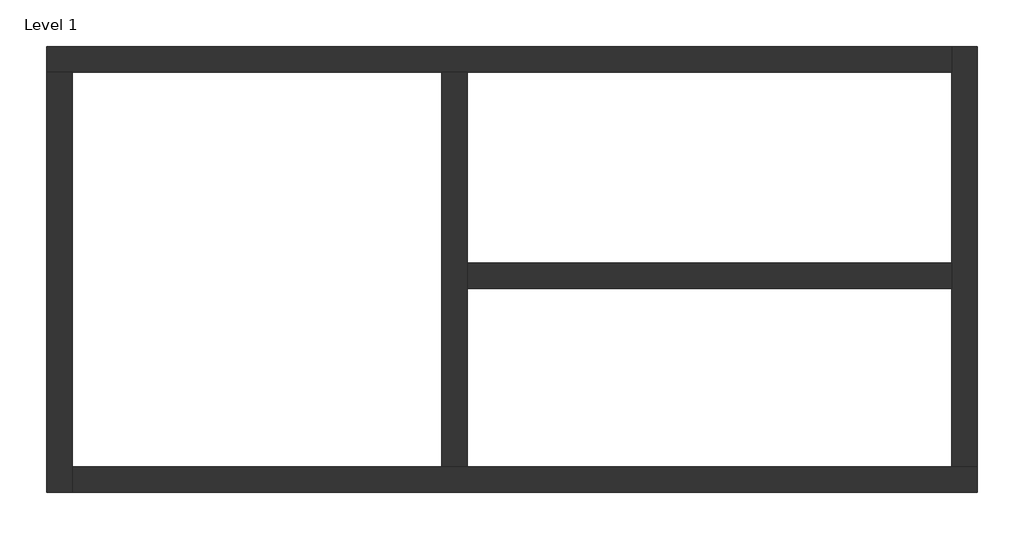
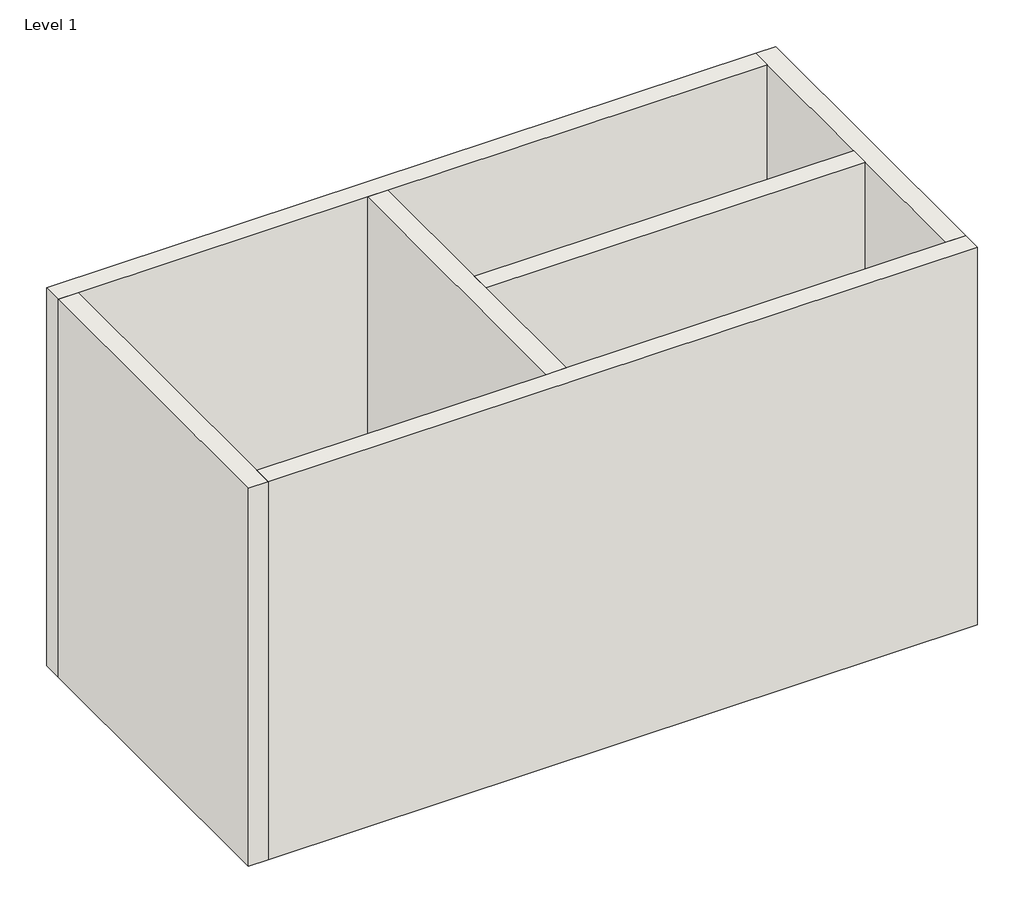
# One storey: 6 walls.
"""IFC4 building model written with IfcOpenShell, lengths in millimetres."""

from ifc_helpers import new_model, si_unit, origin, origin_with_axes, place, context, project, spatial, polyline, outline, extrude, faceted_brep, element, save

model = new_model("IFC4")

# Units and contexts
model_context = context("Model", 3, world=origin())
ifc_project = project(units=[si_unit("LENGTHUNIT", "METRE", prefix="MILLI")], contexts=[model_context])

# Site, building, storey
site = spatial("IfcSite", under=ifc_project)
building = spatial("IfcBuilding", under=site)
storey = spatial("IfcBuildingStorey", under=building, Name="Level 1", Elevation=0.0)

# Walls
placement = place(None, origin())
element("IfcWall", 1, ObjectType="Wall 1", at=placement, inside=storey, context=model_context, shape_type="Brep", body=[
    faceted_brep([(-298.3930779, 3627.1322621, 0.0), (-98.3930779, 3627.1322621, 0.0), (2801.6069221, 3627.1322621, 0.0), (3001.6069221, 3627.1322621, 0.0), (6801.6069221, 3627.1322621, 0.0), (6801.6069221, 3627.1322621, 4000.0), (3001.6069221, 3627.1322621, 4000.0), (2801.6069221, 3627.1322621, 4000.0), (-98.3930779, 3627.1322621, 4000.0), (-298.3930779, 3627.1322621, 4000.0), (-298.3930779, 3827.1322621, 0.0), (-298.3930779, 3827.1322621, 4000.0), (6801.6069221, 3827.1322621, 4000.0), (6801.6069221, 3827.1322621, 0.0)], [[[0, 1, 2, 3, 4, 5, 6, 7, 8, 9]], [[10, 11, 12, 13]], [[4, 3, 2, 1, 0, 10, 13]], [[9, 8, 7, 6, 5, 12, 11]], [[0, 9, 11, 10]], [[5, 4, 13, 12]]]),
])
element("IfcWall", 2, ObjectType="Wall 1", at=placement, inside=storey, context=model_context, shape_type="Brep", body=[
    faceted_brep([(-98.3930779, 327.1322621, 0.0), (-98.3930779, 527.1322621, 0.0), (-98.3930779, 3627.1322621, 0.0), (-98.3930779, 3627.1322621, 4000.0), (-98.3930779, 527.1322621, 4000.0), (-98.3930779, 327.1322621, 4000.0), (-298.3930779, 327.1322621, 0.0), (-298.3930779, 327.1322621, 4000.0), (-298.3930779, 3627.1322621, 4000.0), (-298.3930779, 3627.1322621, 0.0)], [[[0, 1, 2, 3, 4, 5]], [[6, 7, 8, 9]], [[2, 1, 0, 6, 9]], [[5, 4, 3, 8, 7]], [[0, 5, 7, 6]], [[3, 2, 9, 8]]]),
])
element("IfcWall", 3, ObjectType="Wall 1", at=placement, inside=storey, context=model_context, shape_type="Brep", body=[
    faceted_brep([(7001.6069221, 527.1322621, 0.0), (6801.6069221, 527.1322621, 0.0), (3001.6069221, 527.1322621, 0.0), (2801.6069221, 527.1322621, 0.0), (-98.3930779, 527.1322621, 0.0), (-98.3930779, 527.1322621, 4000.0), (2801.6069221, 527.1322621, 4000.0), (3001.6069221, 527.1322621, 4000.0), (6801.6069221, 527.1322621, 4000.0), (7001.6069221, 527.1322621, 4000.0), (7001.6069221, 327.1322621, 0.0), (7001.6069221, 327.1322621, 4000.0), (-98.3930779, 327.1322621, 4000.0), (-98.3930779, 327.1322621, 0.0)], [[[0, 1, 2, 3, 4, 5, 6, 7, 8, 9]], [[10, 11, 12, 13]], [[4, 3, 2, 1, 0, 10, 13]], [[9, 8, 7, 6, 5, 12, 11]], [[0, 9, 11, 10]], [[5, 4, 13, 12]]]),
])
element("IfcWall", 4, ObjectType="Wall 1", at=placement, inside=storey, context=model_context, shape_type="Brep", body=[
    faceted_brep([(6801.6069221, 3827.1322621, 0.0), (6801.6069221, 3627.1322621, 0.0), (6801.6069221, 2127.1322621, 0.0), (6801.6069221, 1927.1322621, 0.0), (6801.6069221, 527.1322621, 0.0), (6801.6069221, 527.1322621, 4000.0), (6801.6069221, 1927.1322621, 4000.0), (6801.6069221, 2127.1322621, 4000.0), (6801.6069221, 3627.1322621, 4000.0), (6801.6069221, 3827.1322621, 4000.0), (7001.6069221, 3827.1322621, 0.0), (7001.6069221, 3827.1322621, 4000.0), (7001.6069221, 527.1322621, 4000.0), (7001.6069221, 527.1322621, 0.0)], [[[0, 1, 2, 3, 4, 5, 6, 7, 8, 9]], [[10, 11, 12, 13]], [[4, 3, 2, 1, 0, 10, 13]], [[9, 8, 7, 6, 5, 12, 11]], [[0, 9, 11, 10]], [[5, 4, 13, 12]]]),
])
element("IfcWall", 5, ObjectType="Wall 1", at=placement, inside=storey, context=model_context, shape_type="Brep", body=[
    faceted_brep([(2801.6069221, 3627.1322621, 0.0), (2801.6069221, 527.1322621, 0.0), (2801.6069221, 527.1322621, 4000.0), (2801.6069221, 3627.1322621, 4000.0), (3001.6069221, 3627.1322621, 0.0), (3001.6069221, 3627.1322621, 4000.0), (3001.6069221, 2127.1322621, 4000.0), (3001.6069221, 1927.1322621, 4000.0), (3001.6069221, 527.1322621, 4000.0), (3001.6069221, 527.1322621, 0.0), (3001.6069221, 1927.1322621, 0.0), (3001.6069221, 2127.1322621, 0.0)], [[[0, 1, 2, 3]], [[4, 5, 6, 7, 8, 9, 10, 11]], [[1, 0, 4, 11, 10, 9]], [[3, 2, 8, 7, 6, 5]], [[0, 3, 5, 4]], [[2, 1, 9, 8]]]),
])
element("IfcWall", 6, ObjectType="Wall 1", at=placement, inside=storey, context=model_context, shape_type="SweptSolid", body=[
    extrude(outline(polyline([(3001.6069221, 2127.1322621), (6801.6069221, 2127.1322621), (6801.6069221, 1927.1322621), (3001.6069221, 1927.1322621), (3001.6069221, 2127.1322621)])), origin_with_axes(), (0.0, 0.0, 1.0), 4000.0),
])

save(model, "model.ifc")
